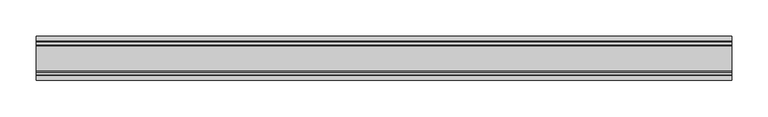
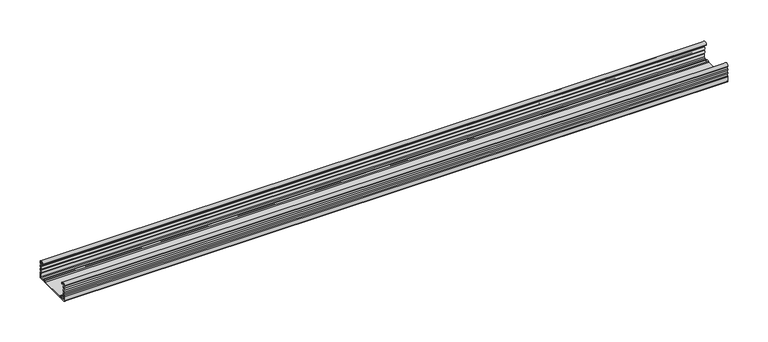
"""IFC4 building model written with IfcOpenShell, lengths in millimetres: proxy geometry."""

from ifc_helpers import new_model, si_unit, point, frame, frame_2d, origin, place, context, project, spatial, polyline, circle_curve, trimmed, segment, composite_curve, outline, extrude, source, transform, mapped, element, save


def generic_models_39d09e68(model_context):
    return source(origin(), model_context, "Body", "SweptSolid", [
        extrude(outline(composite_curve([segment(trimmed(circle_curve(frame_2d((30.75, 21.1911057)), 1.95), [point((29.424, 22.6208693))], [point((29.424, 19.7613421))], True, "CARTESIAN"), True, "CONTINUOUS"), segment(trimmed(circle_curve(frame_2d((28.2, 18.4415603)), 1.8), [point((29.424, 19.7613421))], [point((29.6853338, 17.4248088))], False, "CARTESIAN"), True, "CONTINUOUS"), segment(trimmed(circle_curve(frame_2d((30.75, 15.7911057)), 1.95), [point((29.6853338, 17.4248088))], [point((29.6853338, 14.1574026))], True, "CARTESIAN"), True, "CONTINUOUS"), segment(trimmed(circle_curve(frame_2d((28.2, 13.1406511)), 1.8), [point((29.6853338, 14.1574026))], [point((29.424, 11.8208693))], False, "CARTESIAN"), True, "CONTINUOUS"), segment(trimmed(circle_curve(frame_2d((30.75, 10.3911057)), 1.95), [point((29.424, 11.8208693))], [point((29.424, 8.9613421))], True, "CARTESIAN"), True, "CONTINUOUS"), segment(trimmed(circle_curve(frame_2d((28.2, 7.6415603)), 1.8), [point((29.424, 8.9613421))], [point((30.0, 7.6415603))], False, "CARTESIAN"), True, "CONTINUOUS"), segment(polyline([(30.0, 7.6415603), (30.0, 1.2)]), True, "CONTINUOUS"), segment(trimmed(circle_curve(frame_2d((28.8, 1.2)), 1.2), [point((30.0, 1.2))], [point((28.8, 0.0))], False, "CARTESIAN"), True, "CONTINUOUS"), segment(polyline([(28.8, 0.0), (23.4819519, 0.0)]), True, "CONTINUOUS"), segment(trimmed(circle_curve(frame_2d((23.4819519, 1.8)), 1.8), [point((23.4819519, 0.0))], [point((22.1621701, 0.576))], False, "CARTESIAN"), True, "CONTINUOUS"), segment(trimmed(circle_curve(frame_2d((20.7324065, -0.75)), 1.95), [point((22.1621701, 0.576))], [point((19.3026429, 0.576))], True, "CARTESIAN"), True, "CONTINUOUS"), segment(trimmed(circle_curve(frame_2d((17.9828611, 1.8)), 1.8), [point((19.3026429, 0.576))], [point((17.9828611, 0.0))], False, "CARTESIAN"), True, "CONTINUOUS"), segment(polyline([(17.9828611, 0.0), (-17.9828611, 0.0)]), True, "CONTINUOUS"), segment(trimmed(circle_curve(frame_2d((-17.9828611, 1.8)), 1.8), [point((-17.9828611, 0.0))], [point((-19.3026429, 0.576))], False, "CARTESIAN"), True, "CONTINUOUS"), segment(trimmed(circle_curve(frame_2d((-20.7324065, -0.75)), 1.95), [point((-19.3026429, 0.576))], [point((-22.1621701, 0.576))], True, "CARTESIAN"), True, "CONTINUOUS"), segment(trimmed(circle_curve(frame_2d((-23.4819519, 1.8)), 1.8), [point((-22.1621701, 0.576))], [point((-23.4819519, 0.0))], False, "CARTESIAN"), True, "CONTINUOUS"), segment(polyline([(-23.4819519, 0.0), (-28.8, 0.0)]), True, "CONTINUOUS"), segment(trimmed(circle_curve(frame_2d((-28.8, 1.2)), 1.2), [point((-28.8, 0.0))], [point((-30.0, 1.2))], False, "CARTESIAN"), True, "CONTINUOUS"), segment(polyline([(-30.0, 1.2), (-30.0, 7.6415603)]), True, "CONTINUOUS"), segment(trimmed(circle_curve(frame_2d((-28.2, 7.6415603)), 1.8), [point((-30.0, 7.6415603))], [point((-29.424, 8.9613421))], False, "CARTESIAN"), True, "CONTINUOUS"), segment(trimmed(circle_curve(frame_2d((-30.75, 10.3911057)), 1.95), [point((-29.424, 8.9613421))], [point((-29.424, 11.8208693))], True, "CARTESIAN"), True, "CONTINUOUS"), segment(trimmed(circle_curve(frame_2d((-28.2, 13.1406511)), 1.8), [point((-29.424, 11.8208693))], [point((-29.6853338, 14.1574026))], False, "CARTESIAN"), True, "CONTINUOUS"), segment(trimmed(circle_curve(frame_2d((-30.75, 15.7911057)), 1.95), [point((-29.6853338, 14.1574026))], [point((-29.6853338, 17.4248088))], True, "CARTESIAN"), True, "CONTINUOUS"), segment(trimmed(circle_curve(frame_2d((-28.2, 18.4415603)), 1.8), [point((-29.6853338, 17.4248088))], [point((-29.424, 19.7613421))], False, "CARTESIAN"), True, "CONTINUOUS"), segment(trimmed(circle_curve(frame_2d((-30.75, 21.1911057)), 1.95), [point((-29.424, 19.7613421))], [point((-29.424, 22.6208693))], True, "CARTESIAN"), True, "CONTINUOUS"), segment(trimmed(circle_curve(frame_2d((-28.2, 23.9406511)), 1.8), [point((-29.424, 22.6208693))], [point((-29.9990651, 23.8826448))], False, "CARTESIAN"), True, "CONTINUOUS"), segment(trimmed(circle_curve(frame_2d((-26.8817099, 23.8826448)), 3.1173552), [point((-29.9990651, 23.8826448))], [point((-23.7643548, 23.8826448))], False, "CARTESIAN"), True, "CONTINUOUS"), segment(polyline([(-23.7643548, 23.8826448), (-23.7643548, 23.0407729), (-24.9643548, 23.0407729), (-24.9643548, 23.8826448)]), True, "CONTINUOUS"), segment(trimmed(circle_curve(frame_2d((-26.8817099, 23.8826448)), 1.9173552), [point((-24.9643548, 23.8826448))], [point((-28.7514388, 24.3073386))], True, "CARTESIAN"), True, "CONTINUOUS"), segment(trimmed(circle_curve(frame_2d((-27.7762784, 24.0858388)), 1.0), [point((-28.7514388, 24.3073386))], [point((-28.4928378, 23.3883128))], True, "CARTESIAN"), True, "CONTINUOUS"), segment(trimmed(circle_curve(frame_2d((-30.75, 21.1911057)), 3.15), [point((-28.4928378, 23.3883128))], [point((-28.3578316, 19.1417081))], False, "CARTESIAN"), True, "CONTINUOUS"), segment(trimmed(circle_curve(frame_2d((-27.5984131, 18.4911057)), 1.0), [point((-28.3578316, 19.1417081))], [point((-28.3578316, 17.8405033))], True, "CARTESIAN"), True, "CONTINUOUS"), segment(trimmed(circle_curve(frame_2d((-30.75, 15.7911057)), 3.15), [point((-28.3578316, 17.8405033))], [point((-28.3578316, 13.7417081))], False, "CARTESIAN"), True, "CONTINUOUS"), segment(trimmed(circle_curve(frame_2d((-27.5984131, 13.0911057)), 1.0), [point((-28.3578316, 13.7417081))], [point((-28.3578316, 12.4405033))], True, "CARTESIAN"), True, "CONTINUOUS"), segment(trimmed(circle_curve(frame_2d((-30.75, 10.3911057)), 3.15), [point((-28.3578316, 12.4405033))], [point((-28.3339806, 8.3698808))], False, "CARTESIAN"), True, "CONTINUOUS"), segment(trimmed(circle_curve(frame_2d((-26.8, 7.0865634)), 2.0), [point((-28.3339806, 8.3698808))], [point((-28.8, 7.0865634))], True, "CARTESIAN"), True, "CONTINUOUS"), segment(polyline([(-28.8, 7.0865634), (-28.8, 2.4)]), True, "CONTINUOUS"), segment(trimmed(circle_curve(frame_2d((-27.6, 2.4)), 1.2), [point((-28.8, 2.4))], [point((-27.6, 1.2))], True, "CARTESIAN"), True, "CONTINUOUS"), segment(polyline([(-27.6, 1.2), (-24.382064, 1.2)]), True, "CONTINUOUS"), segment(trimmed(circle_curve(frame_2d((-24.382064, 4.2)), 3.0), [point((-24.382064, 1.2))], [point((-22.6017433, 1.7853659))], True, "CARTESIAN"), True, "CONTINUOUS"), segment(trimmed(circle_curve(frame_2d((-20.7324065, -0.75)), 3.15), [point((-22.6017433, 1.7853659))], [point((-18.8630697, 1.7853659))], False, "CARTESIAN"), True, "CONTINUOUS"), segment(trimmed(circle_curve(frame_2d((-17.082749, 4.2)), 3.0), [point((-18.8630697, 1.7853659))], [point((-17.082749, 1.2))], True, "CARTESIAN"), True, "CONTINUOUS"), segment(polyline([(-17.082749, 1.2), (17.082749, 1.2)]), True, "CONTINUOUS"), segment(trimmed(circle_curve(frame_2d((17.082749, 4.2)), 3.0), [point((17.082749, 1.2))], [point((18.8630697, 1.7853659))], True, "CARTESIAN"), True, "CONTINUOUS"), segment(trimmed(circle_curve(frame_2d((20.7324065, -0.75)), 3.15), [point((18.8630697, 1.7853659))], [point((22.6017433, 1.7853659))], False, "CARTESIAN"), True, "CONTINUOUS"), segment(trimmed(circle_curve(frame_2d((24.382064, 4.2)), 3.0), [point((22.6017433, 1.7853659))], [point((24.382064, 1.2))], True, "CARTESIAN"), True, "CONTINUOUS"), segment(polyline([(24.382064, 1.2), (27.6182196, 1.2)]), True, "CONTINUOUS"), segment(trimmed(circle_curve(frame_2d((27.6182196, 2.3817804)), 1.1817804), [point((27.6182196, 1.2))], [point((28.8, 2.3817804))], True, "CARTESIAN"), True, "CONTINUOUS"), segment(polyline([(28.8, 2.3817804), (28.8, 7.0865634)]), True, "CONTINUOUS"), segment(trimmed(circle_curve(frame_2d((26.8, 7.0865634)), 2.0), [point((28.8, 7.0865634))], [point((28.3339806, 8.3698808))], True, "CARTESIAN"), True, "CONTINUOUS"), segment(trimmed(circle_curve(frame_2d((30.75, 10.3911057)), 3.15), [point((28.3339806, 8.3698808))], [point((28.3578316, 12.4405033))], False, "CARTESIAN"), True, "CONTINUOUS"), segment(trimmed(circle_curve(frame_2d((27.5984131, 13.0911057)), 1.0), [point((28.3578316, 12.4405033))], [point((28.3578316, 13.7417081))], True, "CARTESIAN"), True, "CONTINUOUS"), segment(trimmed(circle_curve(frame_2d((30.75, 15.7911057)), 3.15), [point((28.3578316, 13.7417081))], [point((28.3578316, 17.8405033))], False, "CARTESIAN"), True, "CONTINUOUS"), segment(trimmed(circle_curve(frame_2d((27.5984131, 18.4911057)), 1.0), [point((28.3578316, 17.8405033))], [point((28.3578316, 19.1417081))], True, "CARTESIAN"), True, "CONTINUOUS"), segment(trimmed(circle_curve(frame_2d((30.75, 21.1911057)), 3.15), [point((28.3578316, 19.1417081))], [point((28.4928378, 23.3883128))], False, "CARTESIAN"), True, "CONTINUOUS"), segment(trimmed(circle_curve(frame_2d((27.7762784, 24.0858388)), 1.0), [point((28.4928378, 23.3883128))], [point((28.7514388, 24.3073386))], True, "CARTESIAN"), True, "CONTINUOUS"), segment(trimmed(circle_curve(frame_2d((26.8817099, 23.8826448)), 1.9173552), [point((28.7514388, 24.3073386))], [point((24.9643548, 23.8826448))], True, "CARTESIAN"), True, "CONTINUOUS"), segment(polyline([(24.9643548, 23.8826448), (24.9643548, 23.0407729), (23.7643548, 23.0407729), (23.7643548, 23.8826448)]), True, "CONTINUOUS"), segment(trimmed(circle_curve(frame_2d((26.8817099, 23.8826448)), 3.1173552), [point((23.7643548, 23.8826448))], [point((29.9990651, 23.8826448))], False, "CARTESIAN"), True, "CONTINUOUS"), segment(trimmed(circle_curve(frame_2d((28.2, 23.9406511)), 1.8), [point((29.9990651, 23.8826448))], [point((29.424, 22.6208693))], False, "CARTESIAN"), True, "CONTINUOUS")], self_intersect=False)), frame((-476.9460685, 0.0, 0.0), z_axis=(1.0, 0.0, 0.0), x_axis=(0.0, 1.0, 0.0)), (0.0, 0.0, 1.0), 953.8921371),
    ])


if __name__ == "__main__":
    model = new_model("IFC4")
    model_context = context("Model", 3, world=origin())
    ifc_project = project(units=[si_unit("LENGTHUNIT", "METRE", prefix="MILLI")], contexts=[model_context])
    site = spatial("IfcSite", under=ifc_project)
    building = spatial("IfcBuilding", under=site)
    placement = place(None, origin())
    generic_models_shape = generic_models_39d09e68(model_context)
    element("IfcBuildingElementProxy", 1, Name="Generic Models", at=placement, inside=building, context=model_context, shape_type="MappedRepresentation", body=[
        mapped(generic_models_shape, transform((0.0, 0.0, 0.0), x_axis=(1.0, 0.0, 0.0), y_axis=(0.0, 1.0, 0.0), z_axis=(0.0, 0.0, 1.0))),
    ])
    save(model, "model.ifc")
